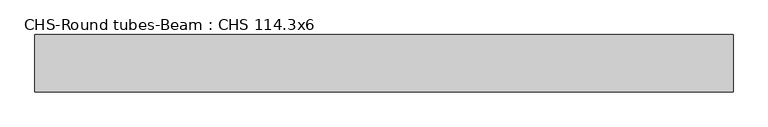
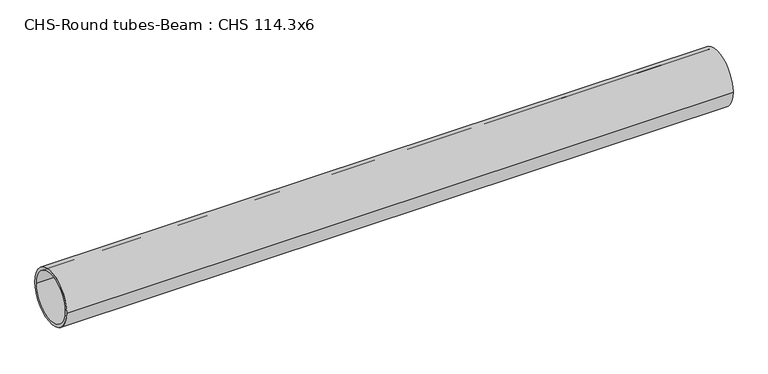
"""IFC4 building model written with IfcOpenShell, lengths in millimetres: beam geometry, CHS-Round tubes-Beam : CHS 114.3x6."""

from ifc_helpers import new_model, si_unit, point, frame, origin, origin_2d, place, context, project, spatial, circle_curve, trimmed, segment, composite_curve, outline, extrude, source, transform, mapped, element, save


def chs_round_tubes_beam_chs_114_3x6_f6496d90(model_context):
    return source(origin(), model_context, "Body", "SweptSolid", [
        extrude(outline(composite_curve([segment(trimmed(circle_curve(origin_2d(), 57.15), [point((57.15, 0.0))], [point((-57.15, 0.0))], False, "CARTESIAN"), True, "CONTINUOUS"), segment(trimmed(circle_curve(origin_2d(), 57.15), [point((-57.15, 0.0))], [point((57.15, 0.0))], False, "CARTESIAN"), True, "CONTINUOUS")], self_intersect=False), holes=[composite_curve([segment(trimmed(circle_curve(origin_2d(), 51.15), [point((51.15, 0.0))], [point((-51.15, 0.0))], True, "CARTESIAN"), True, "CONTINUOUS"), segment(trimmed(circle_curve(origin_2d(), 51.15), [point((-51.15, 0.0))], [point((51.15, 0.0))], True, "CARTESIAN"), True, "CONTINUOUS")], self_intersect=False)]), frame((-771.2847399, 0.0, 0.0), z_axis=(1.0, 0.0, 0.0), x_axis=(0.0, 1.0, 0.0)), (0.0, 0.0, 1.0), 1389.0105345),
    ])


if __name__ == "__main__":
    model = new_model("IFC4")
    model_context = context("Model", 3, world=origin())
    ifc_project = project(units=[si_unit("LENGTHUNIT", "METRE", prefix="MILLI")], contexts=[model_context])
    site = spatial("IfcSite", under=ifc_project)
    building = spatial("IfcBuilding", under=site)
    placement = place(None, origin())
    chs_round_tubes_beam_chs_114_3x6_shape = chs_round_tubes_beam_chs_114_3x6_f6496d90(model_context)
    element("IfcBeam", 1, ObjectType="CHS-Round tubes-Beam : CHS 114.3x6", at=placement, inside=building, context=model_context, shape_type="MappedRepresentation", body=[
        mapped(chs_round_tubes_beam_chs_114_3x6_shape, transform((0.0, 0.0, 0.0), x_axis=(1.0, 0.0, 0.0), y_axis=(0.0, 1.0, 0.0), z_axis=(0.0, 0.0, 1.0))),
    ])
    save(model, "model.ifc")
